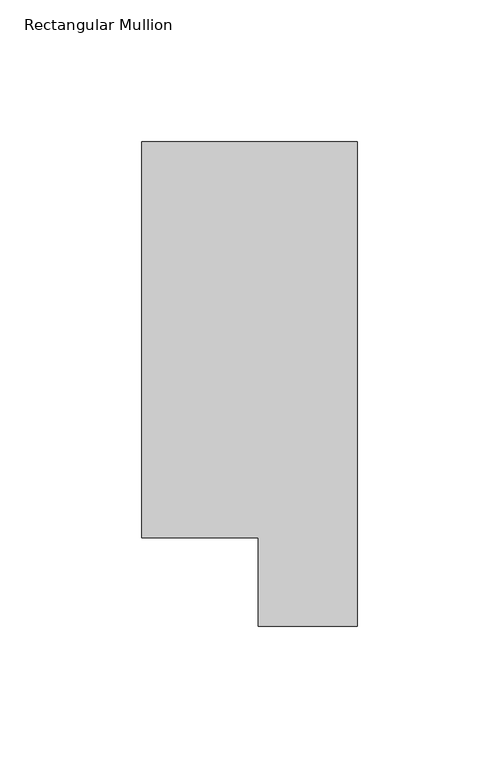
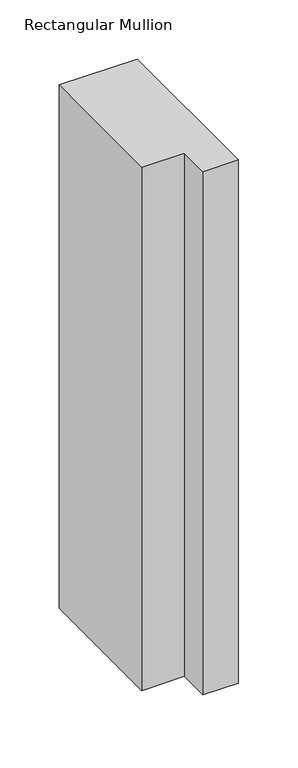
"""IFC4 building model written with IfcOpenShell, lengths in millimetres: member geometry, Rectangular Mullion."""

from ifc_helpers import new_model, si_unit, frame, origin, place, context, project, spatial, polyline, outline, extrude, source, transform, mapped, element, save


def rectangular_mullion_6217722b(model_context):
    return source(origin(), model_context, "Body", "SweptSolid", [
        extrude(outline(polyline([(-76.2, 190.7881317), (0.0, 190.7881317), (0.0, 19.5667317), (-34.9123, 19.5667317), (-34.9123, 50.8087306), (-76.2, 50.8087306), (-76.2, 190.7881317)])), frame((0.0, 0.0, -540.071852), z_axis=(0.0, 0.0, 1.0), x_axis=(1.0, 0.0, 0.0)), (0.0, 0.0, 1.0), 540.071852),
    ])


if __name__ == "__main__":
    model = new_model("IFC4")
    model_context = context("Model", 3, world=origin())
    ifc_project = project(units=[si_unit("LENGTHUNIT", "METRE", prefix="MILLI")], contexts=[model_context])
    site = spatial("IfcSite", under=ifc_project)
    building = spatial("IfcBuilding", under=site)
    placement = place(None, origin())
    rectangular_mullion_shape = rectangular_mullion_6217722b(model_context)
    element("IfcMember", 1, ObjectType="Rectangular Mullion", at=placement, inside=building, context=model_context, shape_type="MappedRepresentation", body=[
        mapped(rectangular_mullion_shape, transform((0.0, 0.0, 0.0), x_axis=(1.0, 0.0, 0.0), y_axis=(0.0, 1.0, 0.0), z_axis=(0.0, 0.0, 1.0))),
    ])
    save(model, "model.ifc")
